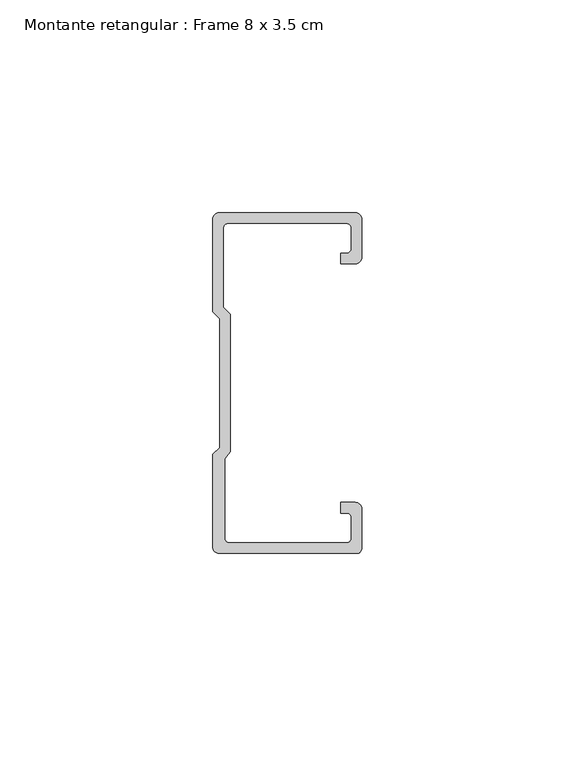
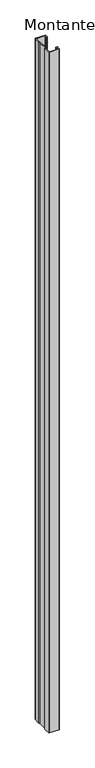
"""IFC4 building model written with IfcOpenShell, lengths in millimetres: member geometry, Montante retangular : Frame 8 x 3.5 cm."""

import ifcopenshell
import ifcopenshell.guid

model = None  # the IFC model being written
_history = None  # IfcOwnerHistory: only IFC2X3 demands one
_inside = {}  # id of a spatial element -> (the spatial element, [elements in it])
_under = {}  # id of a project, library or spatial element -> (it, [spatial elements below it])
_declared = {}  # id of a project -> (the project, [libraries it declares])
_typed = {}  # id of a type object -> (the type object, [elements of that type])
_made_of = {}  # id of a material, layer set ... -> (it, [elements and type objects made of it])


def new_model(schema):
    """Start an empty IFC model of exactly this schema.

    Asked for "IFC4X3", IfcOpenShell would pick the latest addendum, in which some entities
    have other attributes; the version numbers below select the first issue.
    IFC2X3 requires an IfcOwnerHistory on every rooted entity: one is made here for all.
    """
    global model, _history
    if schema == "IFC4X3":
        model = ifcopenshell.file(schema_version=(4, 3, 0, 0))
    else:
        model = ifcopenshell.file(schema=schema)
    _inside.clear()
    _under.clear()
    _declared.clear()
    _typed.clear()
    _made_of.clear()
    _history = None
    if model.schema == "IFC2X3":
        org = make("IfcOrganization", Name="unknown")
        user = make(
            "IfcPersonAndOrganization",
            ThePerson=make("IfcPerson", FamilyName="unknown"),
            TheOrganization=org,
        )
        app = make(
            "IfcApplication",
            ApplicationDeveloper=org,
            Version="unknown",
            ApplicationFullName="unknown",
            ApplicationIdentifier="unknown",
        )
        _history = make(
            "IfcOwnerHistory",
            OwningUser=user,
            OwningApplication=app,
            ChangeAction="ADDED",
            CreationDate=0,
        )
    return model


def make(cls, **values):
    """One entity of the class cls with the attributes given. An attribute that is None is left unset."""
    return model.create_entity(
        cls, **{name: value for name, value in values.items() if value is not None}
    )


def rooted(cls, **values):
    """An entity with a GlobalId (a new one), such as an element, a storey or a relation."""
    return make(cls, GlobalId=ifcopenshell.guid.new(), OwnerHistory=_history, **values)


def si_unit(unit_type, name, prefix=None):
    """IfcSIUnit, for example si_unit("LENGTHUNIT", "METRE", prefix="MILLI")."""
    return make("IfcSIUnit", UnitType=unit_type, Prefix=prefix, Name=name)


def assignment(units):
    """IfcUnitAssignment: the units of a project."""
    return None if units is None else make("IfcUnitAssignment", Units=units)


def point(xyz):
    """IfcCartesianPoint."""
    return None if xyz is None else make("IfcCartesianPoint", Coordinates=xyz)


def direction(xyz):
    """IfcDirection."""
    return None if xyz is None else make("IfcDirection", DirectionRatios=xyz)


def frame(location, z_axis=None, x_axis=None):
    """IfcAxis2Placement3D, a coordinate frame: its origin and axes. An axis left out is left unset."""
    return make(
        "IfcAxis2Placement3D",
        Location=point(location),
        Axis=direction(z_axis),
        RefDirection=direction(x_axis),
    )


def frame_2d(location, x_axis=None):
    """IfcAxis2Placement2D, a coordinate frame in the plane: its origin and x axis."""
    return make(
        "IfcAxis2Placement2D", Location=point(location), RefDirection=direction(x_axis)
    )


def origin():
    """The frame at (0, 0, 0) with its axes left unset."""
    return frame((0.0, 0.0, 0.0))


def place(relative_to, where):
    """IfcLocalPlacement: puts the frame where relative to a parent placement (None: the world)."""
    return make(
        "IfcLocalPlacement", PlacementRelTo=relative_to, RelativePlacement=where
    )


def context(
    kind, dimensions, precision=None, world=None, true_north=None, identifier=None
):
    """IfcGeometricRepresentationContext, for example the 3D "Model" context."""
    return make(
        "IfcGeometricRepresentationContext",
        ContextIdentifier=identifier,
        ContextType=kind,
        CoordinateSpaceDimension=dimensions,
        Precision=precision,
        WorldCoordinateSystem=world,
        TrueNorth=true_north,
    )


def project(units=None, contexts=None):
    """IfcProject with its units and contexts."""
    return rooted(
        "IfcProject",
        Name="project",
        RepresentationContexts=contexts,
        UnitsInContext=assignment(units),
    )


def spatial(cls, under=None, at=None, **own):
    """A site, building, storey or space (cls), placed at a placement, below another one or the project."""
    s = rooted(cls, ObjectPlacement=at, **own)
    if under is not None:
        _under.setdefault(under.id(), (under, []))[1].append(s)
    return s


def polyline(points):
    """IfcPolyline through the points."""
    return make("IfcPolyline", Points=[point(p) for p in points])


def circle_curve(where, radius):
    """IfcCircle in the frame where."""
    return make("IfcCircle", Position=where, Radius=radius)


def trimmed(basis, trim1, trim2, sense, master):
    """IfcTrimmedCurve: the piece of a basis curve between two trims."""
    return make(
        "IfcTrimmedCurve",
        BasisCurve=basis,
        Trim1=trim1,
        Trim2=trim2,
        SenseAgreement=sense,
        MasterRepresentation=master,
    )


def segment(curve, same_sense, transition):
    """IfcCompositeCurveSegment."""
    return make(
        "IfcCompositeCurveSegment",
        Transition=transition,
        SameSense=same_sense,
        ParentCurve=curve,
    )


def composite_curve(segments, self_intersect=None):
    """IfcCompositeCurve: segments joined end to end."""
    return make("IfcCompositeCurve", Segments=segments, SelfIntersect=self_intersect)


def outline(outer, holes=None, kind="AREA"):
    """IfcArbitraryClosedProfileDef: a profile drawn as a closed curve; with holes, ...WithVoids."""
    if holes is None:
        return make("IfcArbitraryClosedProfileDef", ProfileType=kind, OuterCurve=outer)
    return make(
        "IfcArbitraryProfileDefWithVoids",
        ProfileType=kind,
        OuterCurve=outer,
        InnerCurves=holes,
    )


def extrude(swept, where, along, depth):
    """IfcExtrudedAreaSolid: the profile swept, set in the frame where, extruded along a direction by depth."""
    return make(
        "IfcExtrudedAreaSolid",
        SweptArea=swept,
        Position=where,
        ExtrudedDirection=direction(along),
        Depth=depth,
    )


def shape(context_of_items, identifier, shape_type, items):
    """IfcShapeRepresentation: the items that make up one representation, for example the "Body"."""
    return make(
        "IfcShapeRepresentation",
        ContextOfItems=context_of_items,
        RepresentationIdentifier=identifier,
        RepresentationType=shape_type,
        Items=items,
    )


def source(mapping_origin, context_of_items, identifier, shape_type, items):
    """IfcRepresentationMap: a shape defined once, which mapped items show again and again."""
    return make(
        "IfcRepresentationMap",
        MappingOrigin=mapping_origin,
        MappedRepresentation=shape(context_of_items, identifier, shape_type, items),
    )


def transform(
    local_origin,
    x_axis=None,
    y_axis=None,
    z_axis=None,
    scale=None,
    scale2=None,
    scale3=None,
    uniform=True,
):
    """IfcCartesianTransformationOperator3D, or its non-uniform kind. x_axis, y_axis, z_axis: its Axis1, 2, 3."""
    if uniform:
        return make(
            "IfcCartesianTransformationOperator3D",
            Axis1=direction(x_axis),
            Axis2=direction(y_axis),
            LocalOrigin=point(local_origin),
            Scale=scale,
            Axis3=direction(z_axis),
        )
    return make(
        "IfcCartesianTransformationOperator3DnonUniform",
        Axis1=direction(x_axis),
        Axis2=direction(y_axis),
        LocalOrigin=point(local_origin),
        Scale=scale,
        Axis3=direction(z_axis),
        Scale2=scale2,
        Scale3=scale3,
    )


def mapped(mapping_source, mapping_target):
    """IfcMappedItem: shows the shape of a source again, moved by a transform."""
    return make(
        "IfcMappedItem", MappingSource=mapping_source, MappingTarget=mapping_target
    )


def made_of(thing, what):
    """Note that an element or type object is made of a material, layer set ...; save() writes the relation."""
    if what is not None:
        _made_of.setdefault(what.id(), (what, []))[1].append(thing)
    return thing


def element(
    cls,
    number,
    at=None,
    inside=None,
    cuts=None,
    type_object=None,
    material=None,
    context=None,
    identifier="Body",
    shape_type=None,
    held_by="IfcProductDefinitionShape",
    body=None,
    shapes=None,
    **own,
):
    """One element of the class cls, such as IfcWall. Its Tag is "e" and its number.

    at: its placement. inside: the storey or other place that contains it. cuts: it is an
    opening in that element (IfcRelVoidsElement). A single representation is given by context,
    identifier, shape_type and body (its items); several are given by shapes. held_by: the class
    of the entity that holds the representations. save() writes the other relations.
    """
    e = rooted(cls, Tag="e%d" % number, ObjectPlacement=at, **own)
    if body is not None:
        shapes = [shape(context, identifier, shape_type, body)]
    if shapes is not None:
        e.Representation = make(held_by, Representations=shapes)
    if inside is not None:
        _inside.setdefault(inside.id(), (inside, []))[1].append(e)
    if cuts is not None:
        rooted(
            "IfcRelVoidsElement", RelatingBuildingElement=cuts, RelatedOpeningElement=e
        )
    if type_object is not None:
        _typed.setdefault(type_object.id(), (type_object, []))[1].append(e)
    return made_of(e, material)


def aggregate(whole, parts):
    """IfcRelAggregates: a whole, such as a stair, and the parts it consists of."""
    return rooted("IfcRelAggregates", RelatingObject=whole, RelatedObjects=parts)


def save(model, path):
    """Write the relations noted so far, then the file.

    IfcRelAggregates (storeys below a building ...), IfcRelContainedInSpatialStructure (elements
    in a storey), IfcRelDefinesByType, IfcRelAssociatesMaterial and IfcRelDeclares: one each for
    every whole, place, type object, material and project.
    """
    for whole, parts in _under.values():
        aggregate(whole, parts)
    for where, things in _inside.values():
        rooted(
            "IfcRelContainedInSpatialStructure",
            RelatedElements=things,
            RelatingStructure=where,
        )
    for kind, things in _typed.values():
        rooted("IfcRelDefinesByType", RelatedObjects=things, RelatingType=kind)
    for what, things in _made_of.values():
        rooted("IfcRelAssociatesMaterial", RelatedObjects=things, RelatingMaterial=what)
    for by, libraries in _declared.values():
        rooted("IfcRelDeclares", RelatingContext=by, RelatedDefinitions=libraries)
    model.write(path)


def montante_retangular_frame_8_x_3_5_cm_3387f73b(model_context):
    return source(origin(), model_context, "Body", "SweptSolid", [
        extrude(outline(composite_curve([segment(trimmed(circle_curve(frame_2d((-1.5, 29.5276505)), 1.5), [point((0.0, 29.5276505))], [point((-1.5, 28.0276505))], False, "CARTESIAN"), True, "CONTINUOUS"), segment(polyline([(-1.5, 28.0276505), (-4.9837744, 28.0276505), (-4.9837744, 30.5276505), (-3.5, 30.5276505)]), True, "CONTINUOUS"), segment(trimmed(circle_curve(frame_2d((-3.5, 31.5276505)), 1.0), [point((-3.5, 30.5276505))], [point((-2.5, 31.5276505))], True, "CARTESIAN"), True, "CONTINUOUS"), segment(polyline([(-2.5, 31.5276505), (-2.5, 36.5)]), True, "CONTINUOUS"), segment(trimmed(circle_curve(frame_2d((-3.5, 36.5)), 1.0), [point((-2.5, 36.5))], [point((-3.5, 37.5))], True, "CARTESIAN"), True, "CONTINUOUS"), segment(polyline([(-3.5, 37.5), (-31.5, 37.5)]), True, "CONTINUOUS"), segment(trimmed(circle_curve(frame_2d((-31.5, 36.5)), 1.0), [point((-31.5, 37.5))], [point((-32.5, 36.5))], True, "CARTESIAN"), True, "CONTINUOUS"), segment(polyline([(-32.5, 36.5), (-32.5, 17.7978001), (-30.9122869, 16.2100869), (-30.9122869, -16.1794816), (-32.192786, -17.7671948), (-32.192786, -36.5)]), True, "CONTINUOUS"), segment(trimmed(circle_curve(frame_2d((-31.192786, -36.5)), 1.0), [point((-32.192786, -36.5))], [point((-31.192786, -37.5))], True, "CARTESIAN"), True, "CONTINUOUS"), segment(polyline([(-31.192786, -37.5), (-3.5, -37.5)]), True, "CONTINUOUS"), segment(trimmed(circle_curve(frame_2d((-3.5, -36.5)), 1.0), [point((-3.5, -37.5))], [point((-2.5, -36.5))], True, "CARTESIAN"), True, "CONTINUOUS"), segment(polyline([(-2.5, -36.5), (-2.5, -31.5276505)]), True, "CONTINUOUS"), segment(trimmed(circle_curve(frame_2d((-3.5, -31.5276505)), 1.0), [point((-2.5, -31.5276505))], [point((-3.5, -30.5276505))], True, "CARTESIAN"), True, "CONTINUOUS"), segment(polyline([(-3.5, -30.5276505), (-4.9837744, -30.5276505), (-4.9837744, -28.0276505), (-1.5, -28.0276505)]), True, "CONTINUOUS"), segment(trimmed(circle_curve(frame_2d((-1.5, -29.5276505)), 1.5), [point((-1.5, -28.0276505))], [point((0.0, -29.5276505))], False, "CARTESIAN"), True, "CONTINUOUS"), segment(polyline([(0.0, -29.5276505), (0.0, -38.8171833)]), True, "CONTINUOUS"), segment(trimmed(circle_curve(frame_2d((-1.1828167, -38.8171833)), 1.1828167), [point((0.0, -38.8171833))], [point((-1.1828167, -40.0))], False, "CARTESIAN"), True, "CONTINUOUS"), segment(polyline([(-1.1828167, -40.0), (-33.5, -40.0)]), True, "CONTINUOUS"), segment(trimmed(circle_curve(frame_2d((-33.5, -38.5)), 1.5), [point((-33.5, -40.0))], [point((-35.0, -38.5))], False, "CARTESIAN"), True, "CONTINUOUS"), segment(polyline([(-35.0, -38.5), (-35.0, -16.7622662), (-33.4122869, -15.174553), (-33.4122869, 15.174553), (-35.0, 16.7622662), (-35.0, 38.5)]), True, "CONTINUOUS"), segment(trimmed(circle_curve(frame_2d((-33.5, 38.5)), 1.5), [point((-35.0, 38.5))], [point((-33.5, 40.0))], False, "CARTESIAN"), True, "CONTINUOUS"), segment(polyline([(-33.5, 40.0), (-1.5, 40.0)]), True, "CONTINUOUS"), segment(trimmed(circle_curve(frame_2d((-1.5, 38.5)), 1.5), [point((-1.5, 40.0))], [point((0.0, 38.5))], False, "CARTESIAN"), True, "CONTINUOUS"), segment(polyline([(0.0, 38.5), (0.0, 29.5276505)]), True, "CONTINUOUS")], self_intersect=False)), frame((0.0, 0.0, -2365.0), z_axis=(0.0, 0.0, 1.0), x_axis=(1.0, 0.0, 0.0)), (0.0, 0.0, 1.0), 2365.0),
    ])


if __name__ == "__main__":
    model = new_model("IFC4")
    model_context = context("Model", 3, world=origin())
    ifc_project = project(units=[si_unit("LENGTHUNIT", "METRE", prefix="MILLI")], contexts=[model_context])
    site = spatial("IfcSite", under=ifc_project)
    building = spatial("IfcBuilding", under=site)
    placement = place(None, origin())
    montante_retangular_frame_8_x_3_5_cm_shape = montante_retangular_frame_8_x_3_5_cm_3387f73b(model_context)
    element("IfcMember", 1, ObjectType="Montante retangular : Frame 8 x 3.5 cm", at=placement, inside=building, context=model_context, shape_type="MappedRepresentation", body=[
        mapped(montante_retangular_frame_8_x_3_5_cm_shape, transform((0.0, 0.0, 0.0), x_axis=(1.0, 0.0, 0.0), y_axis=(0.0, 1.0, 0.0), z_axis=(0.0, 0.0, 1.0))),
    ])
    save(model, "model.ifc")
